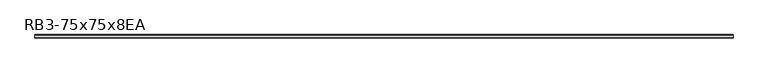
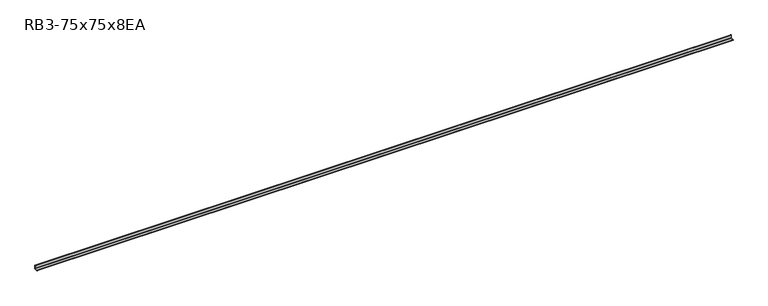
"""IFC4 building model written with IfcOpenShell, lengths in millimetres: member geometry, RB3-75x75x8EA."""

from ifc_helpers import new_model, si_unit, point, frame, frame_2d, origin, place, context, project, spatial, polyline, circle_curve, trimmed, segment, composite_curve, outline, extrude, source, transform, mapped, element, save


def rb3_75x75x8ea_6e3c2aaa(model_context):
    return source(origin(), model_context, "Body", "SweptSolid", [
        extrude(outline(composite_curve([segment(polyline([(21.3, -21.3), (-53.7, -21.3), (-53.7, -18.3)]), True, "CONTINUOUS"), segment(trimmed(circle_curve(frame_2d((-48.7, -18.3)), 5.0), [point((-53.7, -18.3))], [point((-48.7, -13.3))], False, "CARTESIAN"), True, "CONTINUOUS"), segment(polyline([(-48.7, -13.3), (5.3, -13.3)]), True, "CONTINUOUS"), segment(trimmed(circle_curve(frame_2d((5.3, -5.3)), 8.0), [point((5.3, -13.3))], [point((13.3, -5.3))], True, "CARTESIAN"), True, "CONTINUOUS"), segment(polyline([(13.3, -5.3), (13.3, 48.7)]), True, "CONTINUOUS"), segment(trimmed(circle_curve(frame_2d((18.3, 48.7)), 5.0), [point((13.3, 48.7))], [point((18.3, 53.7))], False, "CARTESIAN"), True, "CONTINUOUS"), segment(polyline([(18.3, 53.7), (21.3, 53.7), (21.3, -21.3)]), True, "CONTINUOUS")], self_intersect=False)), frame((-7613.0, 0.0, 0.0), z_axis=(1.0, 0.0, 0.0), x_axis=(0.0, 1.0, 0.0)), (0.0, 0.0, 1.0), 15221.0),
    ])


if __name__ == "__main__":
    model = new_model("IFC4")
    model_context = context("Model", 3, world=origin())
    ifc_project = project(units=[si_unit("LENGTHUNIT", "METRE", prefix="MILLI")], contexts=[model_context])
    site = spatial("IfcSite", under=ifc_project)
    building = spatial("IfcBuilding", under=site)
    placement = place(None, origin())
    rb3_75x75x8ea_shape = rb3_75x75x8ea_6e3c2aaa(model_context)
    element("IfcMember", 1, ObjectType="RB3-75x75x8EA", at=placement, inside=building, context=model_context, shape_type="MappedRepresentation", body=[
        mapped(rb3_75x75x8ea_shape, transform((0.0, 0.0, 0.0), x_axis=(1.0, 0.0, 0.0), y_axis=(0.0, 1.0, 0.0), z_axis=(0.0, 0.0, 1.0))),
    ])
    save(model, "model.ifc")
